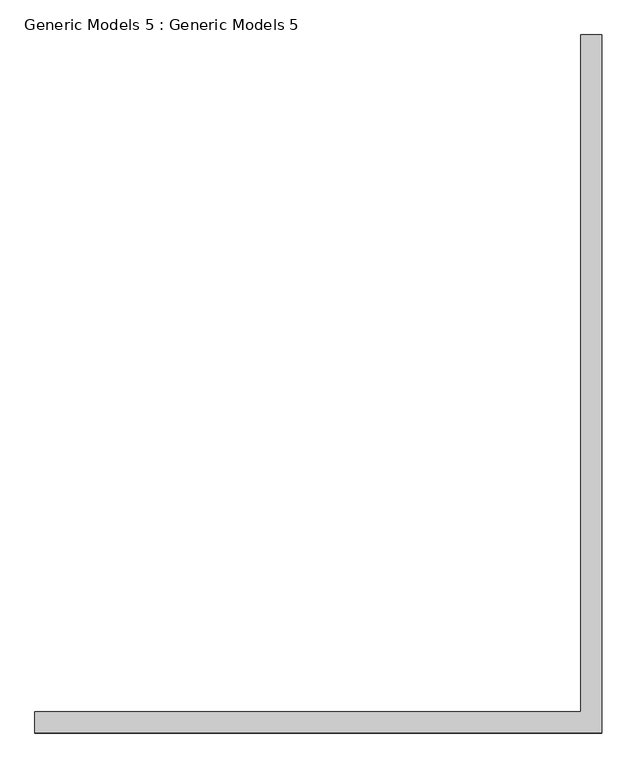
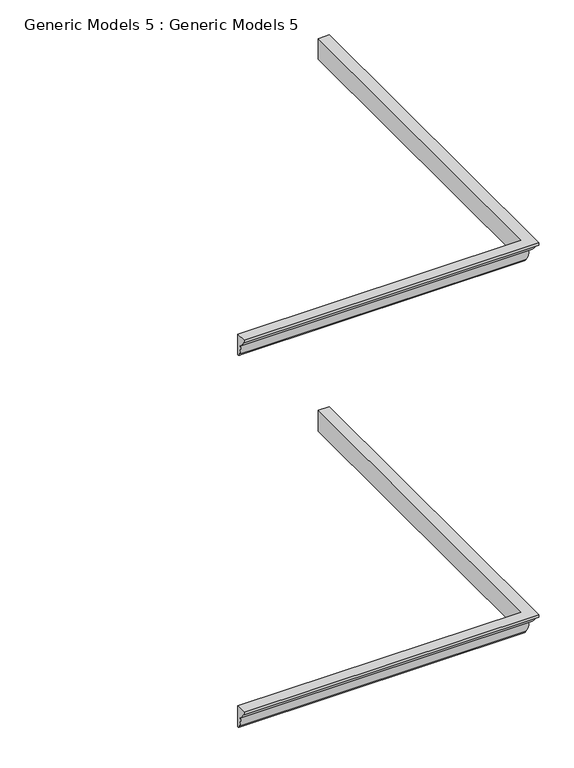
"""IFC4 building model written with IfcOpenShell, lengths in millimetres: proxy geometry, Generic Models 5 : Generic Models 5."""

from ifc_helpers import new_model, si_unit, frame, origin, place, context, project, spatial, circle_curve, ellipse_curve, source, transform, mapped, element, save
from ifc_brep_helpers import plane_surface, cylinder_surface, advanced_brep


def generic_models_5_generic_models_5_985d4628(model_context):
    return source(origin(), model_context, "Body", "AdvancedBrep", [
        advanced_brep(
        [(17337.1611361, 13882.0389944, 7581.8891103), (17337.1611361, 13967.5047231, 7581.8891103), (17337.1611361, 13967.5047231, 7411.8891103), (17337.1611361, 13946.6336429, 7429.3078425), (17337.1611361, 13932.4405316, 7507.3755234), (17337.1611361, 13897.0389944, 7561.8891103), (17337.1611361, 13882.0389944, 7561.8891103), (19616.2705752, 13882.0389944, 7581.8891103), (19616.2705752, 16687.5047231, 7581.8891103), (19530.8048465, 16687.5047231, 7581.8891103), (19530.8048465, 13967.5047231, 7581.8891103), (19530.8048465, 13967.5047231, 7411.8891103), (19601.2705752, 13897.0389944, 7561.8891103), (19601.2705752, 16687.5047231, 7561.8891103), (19616.2705752, 16687.5047231, 7561.8891103), (19616.2705752, 13882.0389944, 7561.8891103), (19565.869038, 16687.5047231, 7507.3755234), (19551.6759267, 16687.5047231, 7429.3078425), (19530.8048465, 16687.5047231, 7411.8891103), (19551.6759267, 13946.6336429, 7429.3078425), (19565.869038, 13932.4405316, 7507.3755234)],
        [
            (0, 1),
            (1, 2),
            (2, 3, circle_curve(frame((17337.1611361, 13967.5047231, 7433.1023137), z_axis=(-1.0, 0.0, 0.0), x_axis=(0.0, 1.0, 0.0)), 21.2132034)),
            (3, 4, circle_curve(frame((17337.1611361, 14054.0873906, 7489.1675252), z_axis=(-1.0, 0.0, 0.0), x_axis=(0.0, 1.0, 0.0)), 123.0019898)),
            (4, 5, circle_curve(frame((17337.1611361, 13961.5018944, 7565.0), z_axis=(-1.0, 0.0, 0.0), x_axis=(0.0, 1.0, 0.0)), 64.53792)),
            (5, 6),
            (6, 0),
            (0, 7),
            (7, 8),
            (8, 9),
            (9, 10),
            (10, 1),
            (10, 11),
            (11, 2),
            (5, 12),
            (12, 13),
            (13, 14),
            (14, 15),
            (15, 6),
            (15, 7),
            (8, 14),
            (13, 16, circle_curve(frame((19536.8076752, 16687.5047231, 7565.0), z_axis=(0.0, 1.0, 0.0), x_axis=(-1.0, 0.0, 0.0)), 64.53792)),
            (16, 17, circle_curve(frame((19444.222179, 16687.5047231, 7489.1675252), z_axis=(0.0, 1.0, 0.0), x_axis=(-1.0, 0.0, 0.0)), 123.0019898)),
            (17, 18, circle_curve(frame((19530.8048465, 16687.5047231, 7433.1023137), z_axis=(0.0, 1.0, 0.0), x_axis=(-1.0, 0.0, 0.0)), 21.2132034)),
            (18, 9),
            (18, 11),
            (11, 19, ellipse_curve(frame((19530.8048465, 13967.5047231, 7433.1023137), z_axis=(-0.7071067811865481, -0.7071067811865469, 0.0), x_axis=(-0.7071067811865469, 0.7071067811865481, 0.0)), 30.0, 21.2132034)),
            (19, 3),
            (19, 20, ellipse_curve(frame((19444.222179, 14054.0873906, 7489.1675252), z_axis=(-0.7071067811865481, -0.7071067811865469, 0.0), x_axis=(-0.7071067811865469, 0.7071067811865481, 0.0)), 173.9510822, 123.0019898)),
            (20, 4),
            (20, 12, ellipse_curve(frame((19536.8076752, 13961.5018944, 7565.0), z_axis=(-0.7071067811865481, -0.7071067811865469, 0.0), x_axis=(-0.7071067811865469, 0.7071067811865481, 0.0)), 91.2704017, 64.53792)),
            (17, 19),
            (16, 20),
        ],
        [
            plane_surface(frame((17337.1611361, 13967.5047231, 8000.0), z_axis=(-1.0, 0.0, 0.0), x_axis=(0.0, 0.0, 1.0))),
            plane_surface(frame((17337.1611361, 13882.0389944, 7581.8891103), z_axis=(0.0, 0.0, 1.0), x_axis=(1.0, 0.0, 0.0))),
            plane_surface(frame((17337.1611361, 13967.5047231, 7581.8891103), z_axis=(0.0, 1.0, 0.0), x_axis=(1.0, 0.0, 0.0))),
            plane_surface(frame((17337.1611361, 13897.0389944, 7561.8891103), z_axis=(0.0, 0.0, -1.0), x_axis=(1.0, 0.0, 0.0))),
            plane_surface(frame((17337.1611361, 13882.0389944, 7561.8891103), z_axis=(0.0, -1.0, 0.0), x_axis=(1.0, 0.0, 0.0))),
            plane_surface(frame((19530.8048465, 16687.5047231, 8000.0), z_axis=(0.0, 1.0, 0.0), x_axis=(0.0, 0.0, 1.0))),
            plane_surface(frame((19530.8048465, 13967.5047231, 7581.8891103), z_axis=(-1.0, 0.0, 0.0), x_axis=(0.0, 1.0, 0.0))),
            plane_surface(frame((19616.2705752, 13882.0389944, 7561.8891103), z_axis=(1.0, 0.0, 0.0), x_axis=(0.0, 1.0, 0.0))),
            cylinder_surface(frame((17337.1611361, 13967.5047231, 7433.1023137), z_axis=(-1.0, 0.0, 0.0), x_axis=(0.0, 1.0, 0.0)), 21.2132034),
            cylinder_surface(frame((17337.1611361, 14054.0873906, 7489.1675252), z_axis=(-1.0, 0.0, 0.0), x_axis=(0.0, 1.0, 0.0)), 123.0019898),
            cylinder_surface(frame((17337.1611361, 13961.5018944, 7565.0), z_axis=(-1.0, 0.0, 0.0), x_axis=(0.0, 1.0, 0.0)), 64.53792),
            cylinder_surface(frame((19530.8048465, 13967.5047231, 7433.1023137), z_axis=(0.0, -1.0, 0.0), x_axis=(-1.0, 0.0, 0.0)), 21.2132034),
            cylinder_surface(frame((19444.222179, 13967.5047231, 7489.1675252), z_axis=(0.0, -1.0, 0.0), x_axis=(-1.0, 0.0, 0.0)), 123.0019898),
            cylinder_surface(frame((19536.8076752, 13967.5047231, 7565.0), z_axis=(0.0, -1.0, 0.0), x_axis=(-1.0, 0.0, 0.0)), 64.53792),
        ],
        [
            (0, [[1, 2, 3, 4, 5, 6, 7]]),
            (1, [[-1, 8, 9, 10, 11, 12]]),
            (2, [[-2, -12, 13, 14]]),
            (3, [[-6, 15, 16, 17, 18, 19]]),
            (4, [[-7, -19, 20, -8]]),
            (5, [[21, -17, 22, 23, 24, 25, -10]]),
            (6, [[-13, -11, -25, 26]]),
            (7, [[-20, -18, -21, -9]]),
            (8, [[-3, -14, 27, 28]]),
            (9, [[-4, -28, 29, 30]]),
            (10, [[-5, -30, 31, -15]]),
            (11, [[-27, -26, -24, 32]]),
            (12, [[-29, -32, -23, 33]]),
            (13, [[-31, -33, -22, -16]]),
        ],
    ),
        advanced_brep(
        [(17337.1611361, 13882.0389944, 4540.0), (17337.1611361, 13967.5047231, 4540.0), (17337.1611361, 13967.5047231, 4370.0), (17337.1611361, 13946.6336429, 4387.4187323), (17337.1611361, 13932.4405316, 4465.4864131), (17337.1611361, 13897.0389944, 4520.0), (17337.1611361, 13882.0389944, 4520.0), (19616.2705752, 13882.0389944, 4540.0), (19616.2705752, 16687.5047231, 4540.0), (19530.8048465, 16687.5047231, 4540.0), (19530.8048465, 13967.5047231, 4540.0), (19530.8048465, 13967.5047231, 4370.0), (19601.2705752, 13897.0389944, 4520.0), (19601.2705752, 16687.5047231, 4520.0), (19616.2705752, 16687.5047231, 4520.0), (19616.2705752, 13882.0389944, 4520.0), (19565.869038, 16687.5047231, 4465.4864131), (19551.6759267, 16687.5047231, 4387.4187323), (19530.8048465, 16687.5047231, 4370.0), (19551.6759267, 13946.6336429, 4387.4187323), (19565.869038, 13932.4405316, 4465.4864131)],
        [
            (0, 1),
            (1, 2),
            (2, 3, circle_curve(frame((17337.1611361, 13967.5047231, 4391.2132034), z_axis=(-1.0, 0.0, 0.0), x_axis=(0.0, 1.0, 0.0)), 21.2132034)),
            (3, 4, circle_curve(frame((17337.1611361, 14054.0873906, 4447.2784149), z_axis=(-1.0, 0.0, 0.0), x_axis=(0.0, 1.0, 0.0)), 123.0019898)),
            (4, 5, circle_curve(frame((17337.1611361, 13961.5018944, 4523.1108897), z_axis=(-1.0, 0.0, 0.0), x_axis=(0.0, 1.0, 0.0)), 64.53792)),
            (5, 6),
            (6, 0),
            (0, 7),
            (7, 8),
            (8, 9),
            (9, 10),
            (10, 1),
            (10, 11),
            (11, 2),
            (5, 12),
            (12, 13),
            (13, 14),
            (14, 15),
            (15, 6),
            (15, 7),
            (8, 14),
            (13, 16, circle_curve(frame((19536.8076752, 16687.5047231, 4523.1108897), z_axis=(0.0, 1.0, 0.0), x_axis=(-1.0, 0.0, 0.0)), 64.53792)),
            (16, 17, circle_curve(frame((19444.222179, 16687.5047231, 4447.2784149), z_axis=(0.0, 1.0, 0.0), x_axis=(-1.0, 0.0, 0.0)), 123.0019898)),
            (17, 18, circle_curve(frame((19530.8048465, 16687.5047231, 4391.2132034), z_axis=(0.0, 1.0, 0.0), x_axis=(-1.0, 0.0, 0.0)), 21.2132034)),
            (18, 9),
            (18, 11),
            (11, 19, ellipse_curve(frame((19530.8048465, 13967.5047231, 4391.2132034), z_axis=(-0.7071067811865481, -0.7071067811865469, 0.0), x_axis=(-0.7071067811865469, 0.7071067811865481, 0.0)), 30.0, 21.2132034)),
            (19, 3),
            (19, 20, ellipse_curve(frame((19444.222179, 14054.0873906, 4447.2784149), z_axis=(-0.7071067811865481, -0.7071067811865469, 0.0), x_axis=(-0.7071067811865469, 0.7071067811865481, 0.0)), 173.9510822, 123.0019898)),
            (20, 4),
            (20, 12, ellipse_curve(frame((19536.8076752, 13961.5018944, 4523.1108897), z_axis=(-0.7071067811865481, -0.7071067811865469, 0.0), x_axis=(-0.7071067811865469, 0.7071067811865481, 0.0)), 91.2704017, 64.53792)),
            (17, 19),
            (16, 20),
        ],
        [
            plane_surface(frame((17337.1611361, 13967.5047231, 4000.0), z_axis=(-1.0, 0.0, 0.0), x_axis=(0.0, 0.0, 1.0))),
            plane_surface(frame((17337.1611361, 13882.0389944, 4540.0), z_axis=(0.0, 0.0, 1.0), x_axis=(1.0, 0.0, 0.0))),
            plane_surface(frame((17337.1611361, 13967.5047231, 4540.0), z_axis=(0.0, 1.0, 0.0), x_axis=(1.0, 0.0, 0.0))),
            plane_surface(frame((17337.1611361, 13897.0389944, 4520.0), z_axis=(0.0, 0.0, -1.0), x_axis=(1.0, 0.0, 0.0))),
            plane_surface(frame((17337.1611361, 13882.0389944, 4520.0), z_axis=(0.0, -1.0, 0.0), x_axis=(1.0, 0.0, 0.0))),
            plane_surface(frame((19530.8048465, 16687.5047231, 4000.0), z_axis=(0.0, 1.0, 0.0), x_axis=(0.0, 0.0, 1.0))),
            plane_surface(frame((19530.8048465, 13967.5047231, 4540.0), z_axis=(-1.0, 0.0, 0.0), x_axis=(0.0, 1.0, 0.0))),
            plane_surface(frame((19616.2705752, 13882.0389944, 4520.0), z_axis=(1.0, 0.0, 0.0), x_axis=(0.0, 1.0, 0.0))),
            cylinder_surface(frame((17337.1611361, 13967.5047231, 4391.2132034), z_axis=(-1.0, 0.0, 0.0), x_axis=(0.0, 1.0, 0.0)), 21.2132034),
            cylinder_surface(frame((17337.1611361, 14054.0873906, 4447.2784149), z_axis=(-1.0, 0.0, 0.0), x_axis=(0.0, 1.0, 0.0)), 123.0019898),
            cylinder_surface(frame((17337.1611361, 13961.5018944, 4523.1108897), z_axis=(-1.0, 0.0, 0.0), x_axis=(0.0, 1.0, 0.0)), 64.53792),
            cylinder_surface(frame((19530.8048465, 13967.5047231, 4391.2132034), z_axis=(0.0, -1.0, 0.0), x_axis=(-1.0, 0.0, 0.0)), 21.2132034),
            cylinder_surface(frame((19444.222179, 13967.5047231, 4447.2784149), z_axis=(0.0, -1.0, 0.0), x_axis=(-1.0, 0.0, 0.0)), 123.0019898),
            cylinder_surface(frame((19536.8076752, 13967.5047231, 4523.1108897), z_axis=(0.0, -1.0, 0.0), x_axis=(-1.0, 0.0, 0.0)), 64.53792),
        ],
        [
            (0, [[1, 2, 3, 4, 5, 6, 7]]),
            (1, [[-1, 8, 9, 10, 11, 12]]),
            (2, [[-2, -12, 13, 14]]),
            (3, [[-6, 15, 16, 17, 18, 19]]),
            (4, [[-7, -19, 20, -8]]),
            (5, [[21, -17, 22, 23, 24, 25, -10]]),
            (6, [[-13, -11, -25, 26]]),
            (7, [[-20, -18, -21, -9]]),
            (8, [[-3, -14, 27, 28]]),
            (9, [[-4, -28, 29, 30]]),
            (10, [[-5, -30, 31, -15]]),
            (11, [[-27, -26, -24, 32]]),
            (12, [[-29, -32, -23, 33]]),
            (13, [[-31, -33, -22, -16]]),
        ],
    ),
    ])


if __name__ == "__main__":
    model = new_model("IFC4")
    model_context = context("Model", 3, world=origin())
    ifc_project = project(units=[si_unit("LENGTHUNIT", "METRE", prefix="MILLI")], contexts=[model_context])
    site = spatial("IfcSite", under=ifc_project)
    building = spatial("IfcBuilding", under=site)
    placement = place(None, origin())
    generic_models_5_generic_models_5_shape = generic_models_5_generic_models_5_985d4628(model_context)
    element("IfcBuildingElementProxy", 1, Name="Generic Models 5 : Generic Models 5", ObjectType="Generic Models 5 : Generic Models 5", at=placement, inside=building, context=model_context, shape_type="MappedRepresentation", body=[
        mapped(generic_models_5_generic_models_5_shape, transform((0.0, 0.0, 0.0), x_axis=(1.0, 0.0, 0.0), y_axis=(0.0, 1.0, 0.0), z_axis=(0.0, 0.0, 1.0))),
    ])
    save(model, "model.ifc")
